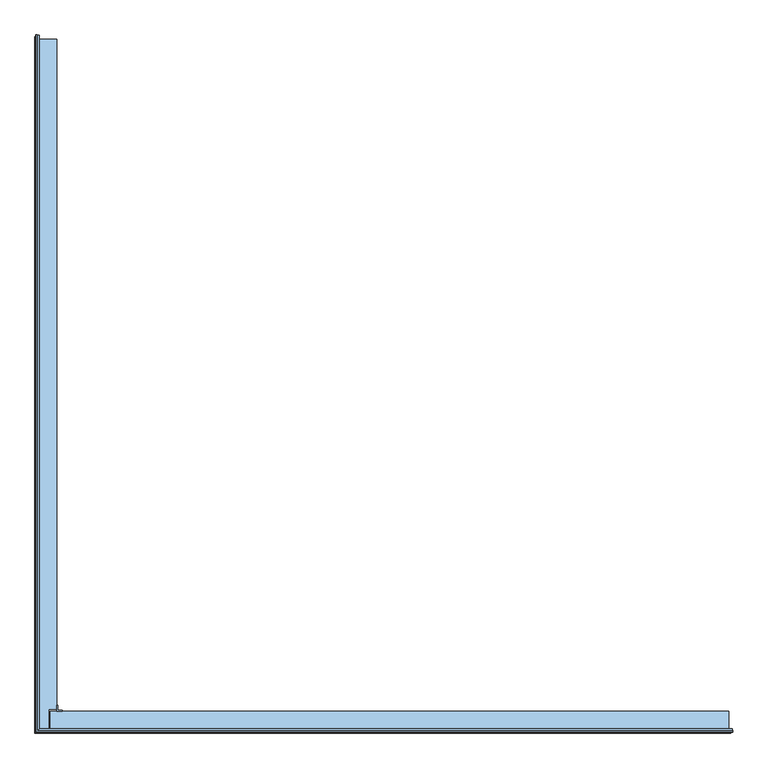
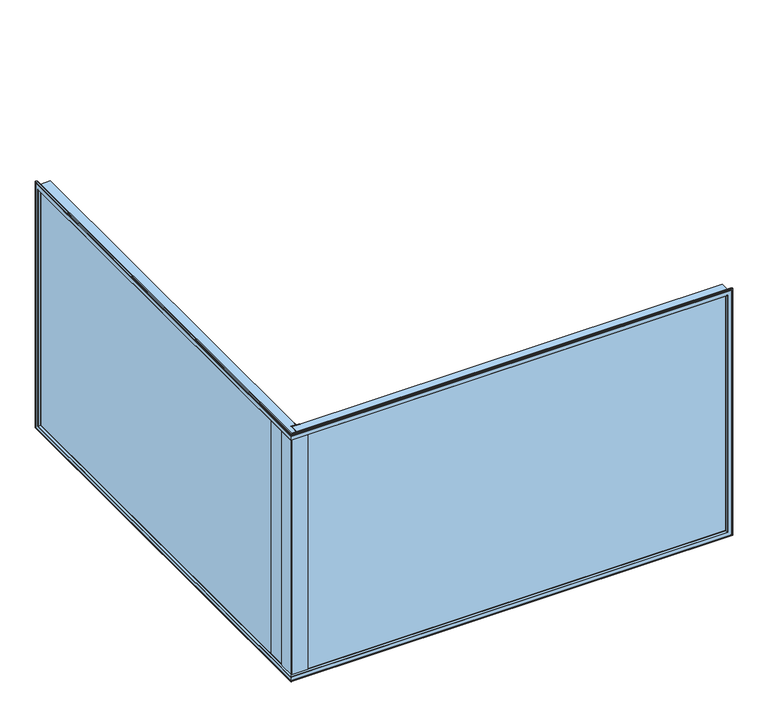
"""IFC4 building model written with IfcOpenShell, lengths in millimetres: window geometry."""

from ifc_helpers import new_model, si_unit, frame, origin, place, context, project, spatial, polyline, circle_curve, ellipse_curve, outline, extrude, source, transform, mapped, element, save
from ifc_brep_helpers import plane_surface, cylinder_surface, revolved_surface, advanced_brep


def window_06065854(model_context):
    return source(origin(), model_context, "Body", "SolidModel", [
        advanced_brep(
        [(-801.9868914, -143.3877115, 861.9868914), (-801.9868914, -143.3877115, 1938.0131086), (-801.9868914, -142.0, 1938.0131086), (-801.9868914, -142.0, 861.9868914), (-2611.1, -142.0, 861.9868914), (-2611.1, -143.3877115, 861.9868914), (-2679.3877115, 1734.4978788, 861.9868914), (-2679.3877115, -75.1, 861.9868914), (-2678.0, -75.1, 861.9868914), (-2678.0, 1734.4978788, 861.9868914), (-799.1115983, -152.7923717, 859.1115983), (-2611.1, -145.1, 861.4633923), (-2679.1, -145.1, 861.4633923), (-2680.5142136, -144.5142136, 861.6424852), (-2688.7923717, -152.7923717, 859.1115983), (-2611.1, -142.0, 1938.0131086), (-2611.1, -143.3877115, 1938.0131086), (-2611.1, -145.1, 1938.5366077), (-2678.0, -142.0, 1962.2389738), (-777.7610262, -142.0, 1962.2389738), (-777.7610262, -142.0, 837.7610262), (-2678.0, -142.0, 837.7610262), (-2678.0, 1734.4978788, 1938.0131086), (-2679.3877115, 1734.4978788, 1938.0131086), (-2678.0, 1758.723744, 837.7610262), (-2678.0, 1758.723744, 1962.2389738), (-2678.0, -75.1, 1938.0131086), (-2681.1, -75.1, 861.4633923), (-2681.1, -75.1, 1938.5366077), (-2679.3877115, -75.1, 1938.0131086), (-2681.1, -143.1, 861.4633923), (-2688.7923717, 1737.373172, 859.1115983), (-777.2478639, -146.9855585, 1962.7521361), (-777.2478639, -146.9855585, 837.2478639), (-2682.9855585, -146.9855585, 837.2478639), (-2682.9855585, 1759.2369063, 837.2478639), (-2682.9855585, -146.9855585, 1962.7521361), (-2682.9855585, -146.9855585, 1963.55), (-776.45, -146.9855585, 1963.55), (-776.45, -146.9855585, 836.45), (-2682.9855585, -146.9855585, 836.45), (-776.45, -151.0, 1963.55), (-776.45, -151.0, 836.45), (-2687.0, -151.0, 836.45), (-2687.0, 1760.0347702, 836.45), (-2682.9855585, 1760.0347702, 836.45), (-2682.9855585, 1760.0347702, 1963.55), (-2682.9855585, 1759.2369063, 1962.7521361), (-2687.0, 1760.0347702, 1963.55), (-2687.5, -151.5, 836.95), (-2687.5, 1759.5347702, 836.95), (-776.95, -151.5, 836.95), (-776.95, -151.5, 1963.05), (-2687.5, -151.5, 1963.05), (-2687.5, -151.5, 1959.2213134), (-780.7786866, -151.5, 1959.2213134), (-780.7786866, -151.5, 840.7786866), (-2687.5, -151.5, 840.7786866), (-780.7786866, -152.5, 1959.2213134), (-780.7786866, -152.5, 840.7786866), (-2688.5, -152.5, 840.7786866), (-2688.5, 1755.7060836, 840.7786866), (-2687.5, 1755.7060836, 840.7786866), (-2687.5, 1755.7060836, 1959.2213134), (-2687.5, 1759.5347702, 1963.05), (-2688.5, 1755.7060836, 1959.2213134), (-2689.5, -153.5, 841.7786866), (-2689.5, 1754.7060836, 841.7786866), (-781.7786866, -153.5, 841.7786866), (-781.7786866, -153.5, 1958.2213134), (-2689.5, -153.5, 1958.2213134), (-2689.5, -153.5, 1941.8447065), (-798.1552935, -153.5, 1941.8447065), (-798.1552935, -153.5, 858.1552935), (-2689.5, -153.5, 858.1552935), (-799.1115983, -152.7923717, 1940.8884017), (-2689.5, 1738.3294767, 858.1552935), (-2679.1, -145.1, 1938.5366077), (-2680.5142136, -144.5142136, 1938.3575148), (-2681.1, -143.1, 1938.5366077), (-2689.5, 1754.7060836, 1958.2213134), (-2689.5, 1738.3294767, 1941.8447065), (-2688.7923717, 1737.373172, 1940.8884017), (-2687.0, -151.0, 1963.55), (-2688.5, -152.5, 1959.2213134), (-2688.7923717, -152.7923717, 1940.8884017)],
        [
            (0, 1),
            (1, 2),
            (2, 3),
            (3, 0),
            (3, 4),
            (4, 5),
            (5, 0),
            (6, 7),
            (7, 8),
            (8, 9),
            (9, 6),
            (10, 0),
            (5, 11),
            (11, 12),
            (12, 13, ellipse_curve(frame((-2679.1, -143.1, 862.0748537), z_axis=(0.0, 0.29237170472279317, -0.9563047559630182), x_axis=(0.0, 0.9563047559630183, 0.29237170472279317)), 2.0913835, 2.0)),
            (13, 14),
            (14, 10),
            (15, 16),
            (16, 17),
            (17, 11),
            (4, 15),
            (18, 19),
            (19, 20),
            (20, 21),
            (21, 18),
            (2, 15),
            (9, 22),
            (22, 23),
            (23, 6),
            (21, 24),
            (24, 25),
            (25, 18),
            (8, 26),
            (26, 22),
            (7, 27),
            (27, 28),
            (28, 29),
            (29, 26),
            (13, 30, ellipse_curve(frame((-2679.1, -143.1, 862.0748537), z_axis=(0.29237170472279317, 0.0, -0.9563047559630182), x_axis=(0.9563047559630183, 0.0, 0.29237170472279317)), 2.0913835, 2.0)),
            (30, 27),
            (6, 31),
            (31, 14),
            (19, 32),
            (32, 33),
            (33, 20),
            (33, 34),
            (34, 21),
            (34, 35),
            (35, 24),
            (32, 36),
            (36, 37),
            (37, 38),
            (38, 39),
            (39, 40),
            (40, 34),
            (38, 41),
            (41, 42),
            (42, 39),
            (42, 43),
            (43, 44),
            (44, 45),
            (45, 40),
            (45, 46),
            (46, 37),
            (36, 47),
            (47, 35),
            (44, 48),
            (48, 46),
            (43, 49, ellipse_curve(frame((-2687.0, -151.0, 836.95), z_axis=(-0.7071067811865475, 0.7071067811865475, 0.0), x_axis=(-0.7071067811865474, -0.7071067811865476, 0.0)), 0.7071068, 0.5)),
            (49, 50),
            (50, 44, ellipse_curve(frame((-2687.0, 1759.5347702, 836.95), z_axis=(0.0, -0.7071067811865475, -0.7071067811865475), x_axis=(0.0, -0.7071067811865476, 0.7071067811865474)), 0.7071068, 0.5)),
            (42, 51, ellipse_curve(frame((-776.95, -151.0, 836.95), z_axis=(-0.7071067811865475, 0.0, -0.7071067811865475), x_axis=(0.7071067811865476, 0.0, -0.7071067811865474)), 0.7071068, 0.5)),
            (51, 49),
            (51, 52),
            (52, 53),
            (53, 54),
            (54, 55),
            (55, 56),
            (56, 57),
            (57, 49),
            (41, 52, ellipse_curve(frame((-776.95, -151.0, 1963.05), z_axis=(0.7071067811865475, 0.0, -0.7071067811865475), x_axis=(0.7071067811865474, 0.0, 0.7071067811865476)), 0.7071068, 0.5)),
            (55, 58),
            (58, 59),
            (59, 56),
            (59, 60),
            (60, 61),
            (61, 62),
            (62, 57),
            (62, 63),
            (63, 54),
            (53, 64),
            (64, 50),
            (61, 65),
            (65, 63),
            (60, 66, ellipse_curve(frame((-2688.5, -152.5, 841.7786866), z_axis=(-0.7071067811865475, 0.7071067811865475, 0.0), x_axis=(-0.7071067811865474, -0.7071067811865476, 0.0)), 1.4142136, 1.0)),
            (66, 67),
            (67, 61, ellipse_curve(frame((-2688.5, 1754.7060836, 841.7786866), z_axis=(0.0, -0.7071067811865475, -0.7071067811865475), x_axis=(0.0, -0.7071067811865476, 0.7071067811865474)), 1.4142136, 1.0)),
            (59, 68, ellipse_curve(frame((-781.7786866, -152.5, 841.7786866), z_axis=(-0.7071067811865475, 0.0, -0.7071067811865475), x_axis=(0.7071067811865476, 0.0, -0.7071067811865474)), 1.4142136, 1.0)),
            (68, 66),
            (68, 69),
            (69, 70),
            (70, 71),
            (71, 72),
            (72, 73),
            (73, 74),
            (74, 66),
            (58, 69, ellipse_curve(frame((-781.7786866, -152.5, 1958.2213134), z_axis=(0.7071067811865475, 0.0, -0.7071067811865475), x_axis=(0.7071067811865474, 0.0, 0.7071067811865476)), 1.4142136, 1.0)),
            (72, 75, ellipse_curve(frame((-798.1552935, -152.5, 1941.8447065), z_axis=(0.7071067811865475, 0.0, -0.7071067811865475), x_axis=(0.7071067811865474, 0.0, 0.7071067811865476)), 1.4142136, 1.0)),
            (75, 10),
            (10, 73, ellipse_curve(frame((-798.1552935, -152.5, 858.1552935), z_axis=(0.7071067811865475, 0.0, 0.7071067811865475), x_axis=(-0.7071067811865474, 0.0, 0.7071067811865476)), 1.4142136, 1.0)),
            (14, 74, ellipse_curve(frame((-2688.5, -152.5, 858.1552935), z_axis=(0.7071067811865475, -0.7071067811865475, 0.0), x_axis=(0.7071067811865476, 0.7071067811865474, 0.0)), 1.4142136, 1.0)),
            (31, 76, ellipse_curve(frame((-2688.5, 1738.3294767, 858.1552935), z_axis=(0.0, -0.7071067811865475, -0.7071067811865475), x_axis=(0.0, -0.7071067811865476, 0.7071067811865474)), 1.4142136, 1.0)),
            (76, 74),
            (12, 77),
            (77, 78, ellipse_curve(frame((-2679.1, -143.1, 1937.9251463), z_axis=(0.0, -0.29237170472279317, -0.9563047559630182), x_axis=(0.0, -0.9563047559630183, 0.29237170472279317)), 2.0913835, 2.0)),
            (78, 79, ellipse_curve(frame((-2679.1, -143.1, 1937.9251463), z_axis=(-0.29237170472279317, 0.0, -0.9563047559630182), x_axis=(-0.9563047559630183, 0.0, 0.29237170472279317)), 2.0913835, 2.0)),
            (79, 30),
            (17, 77),
            (75, 1),
            (47, 25),
            (64, 48, ellipse_curve(frame((-2687.0, 1759.5347702, 1963.05), z_axis=(0.0, 0.7071067811865475, -0.7071067811865475), x_axis=(0.0, -0.7071067811865474, -0.7071067811865476)), 0.7071068, 0.5)),
            (67, 80),
            (80, 65, ellipse_curve(frame((-2688.5, 1754.7060836, 1958.2213134), z_axis=(0.0, 0.7071067811865475, -0.7071067811865475), x_axis=(0.0, -0.7071067811865474, -0.7071067811865476)), 1.4142136, 1.0)),
            (76, 81),
            (81, 71),
            (70, 80),
            (31, 82),
            (82, 81, ellipse_curve(frame((-2688.5, 1738.3294767, 1941.8447065), z_axis=(0.0, 0.7071067811865475, -0.7071067811865475), x_axis=(0.0, -0.7071067811865474, -0.7071067811865476)), 1.4142136, 1.0)),
            (23, 82),
            (79, 28),
            (29, 23),
            (1, 16),
            (36, 18),
            (48, 83),
            (83, 41),
            (53, 83, ellipse_curve(frame((-2687.0, -151.0, 1963.05), z_axis=(-0.7071067811865475, 0.7071067811865475, 0.0), x_axis=(0.7071067811865474, 0.7071067811865476, 0.0)), 0.7071068, 0.5)),
            (65, 84),
            (84, 58),
            (70, 84, ellipse_curve(frame((-2688.5, -152.5, 1958.2213134), z_axis=(-0.7071067811865475, 0.7071067811865475, 0.0), x_axis=(0.7071067811865474, 0.7071067811865476, 0.0)), 1.4142136, 1.0)),
            (82, 85),
            (85, 71, ellipse_curve(frame((-2688.5, -152.5, 1941.8447065), z_axis=(-0.7071067811865475, 0.7071067811865475, 0.0), x_axis=(0.7071067811865474, 0.7071067811865476, 0.0)), 1.4142136, 1.0)),
            (78, 85),
            (85, 75),
        ],
        [
            plane_surface(frame((-801.9868914, -143.3877115, 1938.0131086), z_axis=(-1.0, 0.0, 0.0), x_axis=(0.0, 0.0, -1.0))),
            plane_surface(frame((-801.9868914, -143.3877115, 861.9868914), z_axis=(0.0, 0.0, 1.0), x_axis=(-1.0, 0.0, 0.0))),
            plane_surface(frame((-799.1115983, -152.7923717, 859.1115983), z_axis=(0.0, -0.29237170472279317, 0.9563047559630182), x_axis=(-1.0, 0.0, 0.0))),
            plane_surface(frame((-2611.1, -142.0, 1952.0), z_axis=(1.0, 0.0, 0.0), x_axis=(0.0, 0.0, -1.0))),
            plane_surface(frame((-2678.0, -142.0, 1938.0131086), z_axis=(0.0, 1.0, 0.0), x_axis=(1.0, 0.0, 0.0))),
            plane_surface(frame((-2679.3877115, 1734.4978788, 861.9868914), z_axis=(0.0, -1.0, 0.0), x_axis=(0.0, 0.0, 1.0))),
            plane_surface(frame((-2678.0, -142.0, 861.9868914), z_axis=(1.0, 0.0, 0.0), x_axis=(0.0, 1.0, 0.0))),
            plane_surface(frame((-2681.1, -75.1, 1952.0), z_axis=(0.0, 1.0, 0.0), x_axis=(0.0, 0.0, -1.0))),
            plane_surface(frame((-2688.7923717, -152.7923717, 859.1115983), z_axis=(-0.29237170472279317, 0.0, 0.9563047559630182), x_axis=(0.0, 1.0, 0.0))),
            plane_surface(frame((-777.7610262, -142.0, 1962.2389738), z_axis=(0.9947444563209608, 0.10238880123683586, 0.0), x_axis=(0.0, 0.0, -1.0))),
            plane_surface(frame((-777.7610262, -142.0, 837.7610262), z_axis=(0.0, 0.10238880123683586, -0.9947444563209608), x_axis=(-1.0, 0.0, 0.0))),
            plane_surface(frame((-2678.0, -142.0, 837.7610262), z_axis=(0.10238880123683586, 0.0, -0.9947444563209608), x_axis=(0.0, 1.0, 0.0))),
            plane_surface(frame((-2682.9855585, -146.9855585, 1962.7521361), z_axis=(0.0, 1.0, 0.0), x_axis=(1.0, 0.0, 0.0))),
            plane_surface(frame((-776.45, -146.9855585, 1963.55), z_axis=(1.0, 0.0, 0.0), x_axis=(0.0, 0.0, -1.0))),
            plane_surface(frame((-776.45, -146.9855585, 836.45), z_axis=(0.0, 0.0, -1.0), x_axis=(-1.0, 0.0, 0.0))),
            plane_surface(frame((-2682.9855585, -146.9855585, 837.2478639), z_axis=(1.0, 0.0, 0.0), x_axis=(0.0, 1.0, 0.0))),
            plane_surface(frame((-2682.9855585, 1760.0347702, 836.45), z_axis=(0.0, 1.0, 0.0), x_axis=(0.0, 0.0, 1.0))),
            cylinder_surface(frame((-2687.0, -142.0, 836.95), z_axis=(0.0, -1.0, 0.0), x_axis=(0.0, 0.0, -1.0)), 0.5),
            cylinder_surface(frame((-788.0, -151.0, 836.95), z_axis=(1.0, 0.0, 0.0), x_axis=(0.0, 0.0, -1.0)), 0.5),
            plane_surface(frame((-2687.5, -151.5, 1963.05), z_axis=(0.0, -1.0, 0.0), x_axis=(1.0, 0.0, 0.0))),
            cylinder_surface(frame((-776.95, -151.0, 1952.0), z_axis=(0.0, 0.0, 1.0), x_axis=(1.0, 0.0, 0.0)), 0.5),
            plane_surface(frame((-780.7786866, -151.5, 1959.2213134), z_axis=(1.0, 0.0, 0.0), x_axis=(0.0, 0.0, -1.0))),
            plane_surface(frame((-780.7786866, -151.5, 840.7786866), z_axis=(0.0, 0.0, -1.0), x_axis=(-1.0, 0.0, 0.0))),
            plane_surface(frame((-2687.5, -151.5, 836.95), z_axis=(-1.0, 0.0, 0.0), x_axis=(0.0, 1.0, 0.0))),
            plane_surface(frame((-2687.5, 1755.7060836, 840.7786866), z_axis=(0.0, 1.0, 0.0), x_axis=(0.0, 0.0, 1.0))),
            cylinder_surface(frame((-2688.5, -142.0, 841.7786866), z_axis=(0.0, -1.0, 0.0), x_axis=(0.0, 0.0, -1.0)), 1.0),
            cylinder_surface(frame((-788.0, -152.5, 841.7786866), z_axis=(1.0, 0.0, 0.0), x_axis=(0.0, 0.0, -1.0)), 1.0),
            plane_surface(frame((-2689.5, -153.5, 1958.2213134), z_axis=(0.0, -1.0, 0.0), x_axis=(1.0, 0.0, 0.0))),
            cylinder_surface(frame((-781.7786866, -152.5, 1952.0), z_axis=(0.0, 0.0, 1.0), x_axis=(1.0, 0.0, 0.0)), 1.0),
            cylinder_surface(frame((-798.1552935, -152.5, 1952.0), z_axis=(0.0, 0.0, 1.0), x_axis=(1.0, 0.0, 0.0)), 1.0),
            cylinder_surface(frame((-788.0, -152.5, 858.1552935), z_axis=(1.0, 0.0, 0.0), x_axis=(0.0, 0.0, -1.0)), 1.0),
            cylinder_surface(frame((-2688.5, -142.0, 858.1552935), z_axis=(0.0, -1.0, 0.0), x_axis=(0.0, 0.0, -1.0)), 1.0),
            cylinder_surface(frame((-2679.1, -143.1, 1952.0), z_axis=(0.0, 0.0, 1.0), x_axis=(-1.0, 0.0, 0.0)), 2.0),
            plane_surface(frame((-2611.1, -145.1, 1952.0), z_axis=(0.0, -1.0, 0.0), x_axis=(0.0, 0.0, -1.0))),
            plane_surface(frame((-799.1115983, -152.7923717, 1940.8884017), z_axis=(-0.9563047559630182, -0.29237170472279317, 0.0), x_axis=(0.0, 0.0, -1.0))),
            plane_surface(frame((-2678.0, 1758.723744, 837.7610262), z_axis=(0.10238880123683586, 0.9947444563209608, 0.0), x_axis=(0.0, 0.0, 1.0))),
            cylinder_surface(frame((-2687.0, 1759.5347702, 848.0), z_axis=(0.0, 0.0, -1.0), x_axis=(0.0, 1.0, 0.0)), 0.5),
            cylinder_surface(frame((-2688.5, 1754.7060836, 848.0), z_axis=(0.0, 0.0, -1.0), x_axis=(0.0, 1.0, 0.0)), 1.0),
            plane_surface(frame((-2689.5, -153.5, 841.7786866), z_axis=(-1.0, 0.0, 0.0), x_axis=(0.0, 1.0, 0.0))),
            cylinder_surface(frame((-2688.5, 1738.3294767, 848.0), z_axis=(0.0, 0.0, -1.0), x_axis=(0.0, 1.0, 0.0)), 1.0),
            plane_surface(frame((-2688.7923717, 1737.373172, 859.1115983), z_axis=(-0.29237170472279317, -0.9563047559630182, 0.0), x_axis=(0.0, 0.0, 1.0))),
            plane_surface(frame((-2681.1, -143.1, 1952.0), z_axis=(-1.0, 0.0, 0.0), x_axis=(0.0, 0.0, -1.0))),
            plane_surface(frame((-2679.3877115, 1734.4978788, 1938.0131086), z_axis=(0.0, 0.0, -1.0), x_axis=(0.0, -1.0, 0.0))),
            plane_surface(frame((-2678.0, 1758.723744, 1962.2389738), z_axis=(0.10238880123683586, 0.0, 0.9947444563209608), x_axis=(0.0, -1.0, 0.0))),
            plane_surface(frame((-2682.9855585, 1760.0347702, 1963.55), z_axis=(0.0, 0.0, 1.0), x_axis=(0.0, -1.0, 0.0))),
            cylinder_surface(frame((-2687.0, 1748.4847702, 1963.05), z_axis=(0.0, 1.0, 0.0), x_axis=(0.0, 0.0, 1.0)), 0.5),
            plane_surface(frame((-2687.5, 1755.7060836, 1959.2213134), z_axis=(0.0, 0.0, 1.0), x_axis=(0.0, -1.0, 0.0))),
            cylinder_surface(frame((-2688.5, 1748.4847702, 1958.2213134), z_axis=(0.0, 1.0, 0.0), x_axis=(0.0, 0.0, 1.0)), 1.0),
            cylinder_surface(frame((-2688.5, 1748.4847702, 1941.8447065), z_axis=(0.0, 1.0, 0.0), x_axis=(0.0, 0.0, 1.0)), 1.0),
            plane_surface(frame((-2688.7923717, 1737.373172, 1940.8884017), z_axis=(-0.29237170472279317, 0.0, -0.9563047559630182), x_axis=(0.0, -1.0, 0.0))),
            plane_surface(frame((-2678.0, -142.0, 1962.2389738), z_axis=(0.0, 0.10238880123683586, 0.9947444563209608), x_axis=(1.0, 0.0, 0.0))),
            cylinder_surface(frame((-2678.0, -151.0, 1963.05), z_axis=(-1.0, 0.0, 0.0), x_axis=(0.0, 0.0, 1.0)), 0.5),
            cylinder_surface(frame((-2678.0, -152.5, 1958.2213134), z_axis=(-1.0, 0.0, 0.0), x_axis=(0.0, 0.0, 1.0)), 1.0),
            cylinder_surface(frame((-2678.0, -152.5, 1941.8447065), z_axis=(-1.0, 0.0, 0.0), x_axis=(0.0, 0.0, 1.0)), 1.0),
            plane_surface(frame((-2688.7923717, -152.7923717, 1940.8884017), z_axis=(0.0, -0.29237170472279317, -0.9563047559630182), x_axis=(1.0, 0.0, 0.0))),
        ],
        [
            (0, [[1, 2, 3, 4]]),
            (1, [[5, 6, 7, -4]]),
            (1, [[8, 9, 10, 11]]),
            (2, [[12, -7, 13, 14, 15, 16, 17]]),
            (3, [[18, 19, 20, -13, -6, 21]]),
            (4, [[22, 23, 24, 25], [-3, 26, -21, -5]]),
            (5, [[27, 28, 29, -11]]),
            (6, [[-25, 30, 31, 32], [-10, 33, 34, -27]]),
            (7, [[-9, 35, 36, 37, 38, -33]]),
            (8, [[-16, 39, 40, -35, -8, 41, 42]]),
            (9, [[-23, 43, 44, 45]]),
            (10, [[46, 47, -24, -45]]),
            (11, [[48, 49, -30, -47]]),
            (12, [[-44, 50, 51, 52, 53, 54, 55, -46]]),
            (13, [[-53, 56, 57, 58]]),
            (14, [[59, 60, 61, 62, -54, -58]]),
            (15, [[63, 64, -51, 65, 66, -48, -55, -62]]),
            (16, [[67, 68, -63, -61]]),
            (17, [[69, 70, 71, -60]]),
            (18, [[72, 73, -69, -59]]),
            (19, [[74, 75, 76, 77, 78, 79, 80, -73]]),
            (20, [[-57, 81, -74, -72]]),
            (21, [[-78, 82, 83, 84]]),
            (22, [[85, 86, 87, 88, -79, -84]]),
            (23, [[89, 90, -76, 91, 92, -70, -80, -88]]),
            (24, [[93, 94, -89, -87]]),
            (25, [[95, 96, 97, -86]]),
            (26, [[98, 99, -95, -85]]),
            (27, [[100, 101, 102, 103, 104, 105, 106, -99]]),
            (28, [[-83, 107, -100, -98]]),
            (29, [[-104, 108, 109, 110]]),
            (30, [[-17, 111, -105, -110]]),
            (31, [[-42, 112, 113, -111]]),
            (32, [[-39, -15, 114, 115, 116, 117]]),
            (33, [[118, -114, -14, -20]]),
            (34, [[-109, 119, -1, -12]]),
            (35, [[-49, -66, 120, -31]]),
            (36, [[-92, 121, -67, -71]]),
            (37, [[122, 123, -93, -97]]),
            (38, [[-106, -113, 124, 125, -102, 126, -122, -96]]),
            (39, [[-112, 127, 128, -124]]),
            (40, [[-29, 129, -127, -41]]),
            (41, [[130, -36, -40, -117]]),
            (42, [[-34, -38, 131, -28]]),
            (42, [[132, -18, -26, -2]]),
            (43, [[-120, -65, 133, -32]]),
            (44, [[-68, 134, 135, -56, -52, -64]]),
            (45, [[136, -134, -121, -91]]),
            (46, [[-94, 137, 138, -82, -77, -90]]),
            (47, [[139, -137, -123, -126]]),
            (48, [[-128, 140, 141, -125]]),
            (49, [[-131, -37, -130, -116, 142, -140, -129]]),
            (50, [[-50, -43, -22, -133]]),
            (51, [[-136, -75, -81, -135]]),
            (52, [[-139, -101, -107, -138]]),
            (53, [[143, -108, -103, -141]]),
            (54, [[-142, -115, -118, -19, -132, -119, -143]]),
        ],
    ),
        advanced_brep(
        [(-2626.8994, -77.8993997, 848.0), (-2626.8994, -89.8993997, 848.0), (-2625.8994002, -90.8993997, 848.0), (-2613.8994002, -90.8993997, 848.0), (-2613.8994002, -94.0, 848.0), (-2630.0, -94.0, 848.0), (-2630.0, -77.8993997, 848.0), (-2626.8994, -77.8993997, 1952.0), (-2630.0, -77.8993997, 1952.0), (-2630.0, -94.0, 1952.0), (-2613.8994002, -94.0, 1952.0), (-2613.8994002, -90.8993997, 1952.0), (-2625.8994002, -90.8993997, 1952.0), (-2626.8994002, -89.8993997, 1952.0)],
        [
            (0, 1),
            (1, 2, circle_curve(frame((-2625.8994002, -89.8993997, 848.0), z_axis=(0.0, 0.0, 1.0), x_axis=(-1.0, 0.0, 0.0)), 1.0)),
            (2, 3),
            (3, 4),
            (4, 5),
            (5, 6),
            (6, 0),
            (7, 0),
            (6, 8),
            (8, 7),
            (5, 9),
            (9, 8),
            (4, 10),
            (10, 9),
            (3, 11),
            (11, 10),
            (2, 12),
            (12, 11),
            (1, 13),
            (13, 12, circle_curve(frame((-2625.8994002, -89.8993997, 1952.0), z_axis=(0.0, 0.0, 1.0), x_axis=(-1.0, 0.0, 0.0)), 1.0)),
            (7, 13),
        ],
        [
            plane_surface(frame((-2678.0, -142.0, 848.0), z_axis=(0.0, 0.0, -1.0), x_axis=(-1.0, 0.0, 0.0))),
            plane_surface(frame((-2630.0, -77.8993997, 1952.0), z_axis=(0.0, 1.0, 0.0), x_axis=(0.0, 0.0, -1.0))),
            plane_surface(frame((-2630.0, -94.0, 1952.0), z_axis=(-1.0, 0.0, 0.0), x_axis=(0.0, 0.0, -1.0))),
            plane_surface(frame((-2613.8994002, -94.0, 1952.0), z_axis=(0.0, -1.0, 0.0), x_axis=(0.0, 0.0, -1.0))),
            plane_surface(frame((-2613.8994002, -90.8993997, 1952.0), z_axis=(1.0, 0.0, 0.0), x_axis=(0.0, 0.0, -1.0))),
            plane_surface(frame((-2625.8994002, -90.8993997, 1952.0), z_axis=(0.0, 1.0, 0.0), x_axis=(0.0, 0.0, -1.0))),
            revolved_surface(polyline([(-2626.8994002, -89.8993997, 848.0), (-2626.8994002, -89.8993997, 1952.0)]), (-2625.8994002, -89.8993997, 1952.0), (0.0, 0.0, -1.0)),
            plane_surface(frame((-2626.8994, -77.8993997, 1952.0), z_axis=(1.0, 0.0, 0.0), x_axis=(0.0, 0.0, -1.0))),
            plane_surface(frame((-2678.0, -142.0, 1952.0), z_axis=(0.0, 0.0, 1.0), x_axis=(-1.0, 0.0, 0.0))),
        ],
        [
            (0, [[1, 2, 3, 4, 5, 6, 7]]),
            (1, [[8, -7, 9, 10]]),
            (2, [[-9, -6, 11, 12]]),
            (3, [[-11, -5, 13, 14]]),
            (4, [[-13, -4, 15, 16]]),
            (5, [[-15, -3, 17, 18]]),
            (6, [[-17, -2, 19, 20]]),
            (7, [[-19, -1, -8, 21]]),
            (8, [[-10, -12, -14, -16, -18, -20, -21]]),
        ],
    ),
        extrude(outline(polyline([(-2630.0, 1748.4847702), (-2630.0, -89.0), (-2652.0, -89.0), (-2652.0, -142.0), (-2678.0, -142.0), (-2678.0, 15.0), (-2678.0, 1748.4847702), (-2630.0, 1748.4847702)])), frame((0.0, 0.0, 848.0), z_axis=(0.0, 0.0, 1.0), x_axis=(1.0, 0.0, 0.0)), (0.0, 0.0, 1.0), 1104.0),
        extrude(outline(polyline([(-2647.0, -94.0), (-788.0, -94.0), (-788.0, -142.0), (-2647.0, -142.0), (-2647.0, -94.0)])), frame((0.0, 0.0, 848.0), z_axis=(0.0, 0.0, 1.0), x_axis=(1.0, 0.0, 0.0)), (0.0, 0.0, 1.0), 1104.0),
    ])


if __name__ == "__main__":
    model = new_model("IFC4")
    model_context = context("Model", 3, world=origin())
    ifc_project = project(units=[si_unit("LENGTHUNIT", "METRE", prefix="MILLI")], contexts=[model_context])
    site = spatial("IfcSite", under=ifc_project)
    building = spatial("IfcBuilding", under=site)
    placement = place(None, origin())
    window_shape = window_06065854(model_context)
    element("IfcWindow", 1, at=placement, inside=building, context=model_context, shape_type="MappedRepresentation", body=[
        mapped(window_shape, transform((0.0, 0.0, 0.0), x_axis=(1.0, 0.0, 0.0), y_axis=(0.0, 1.0, 0.0), z_axis=(0.0, 0.0, 1.0))),
    ])
    save(model, "model.ifc")
